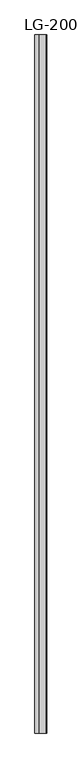
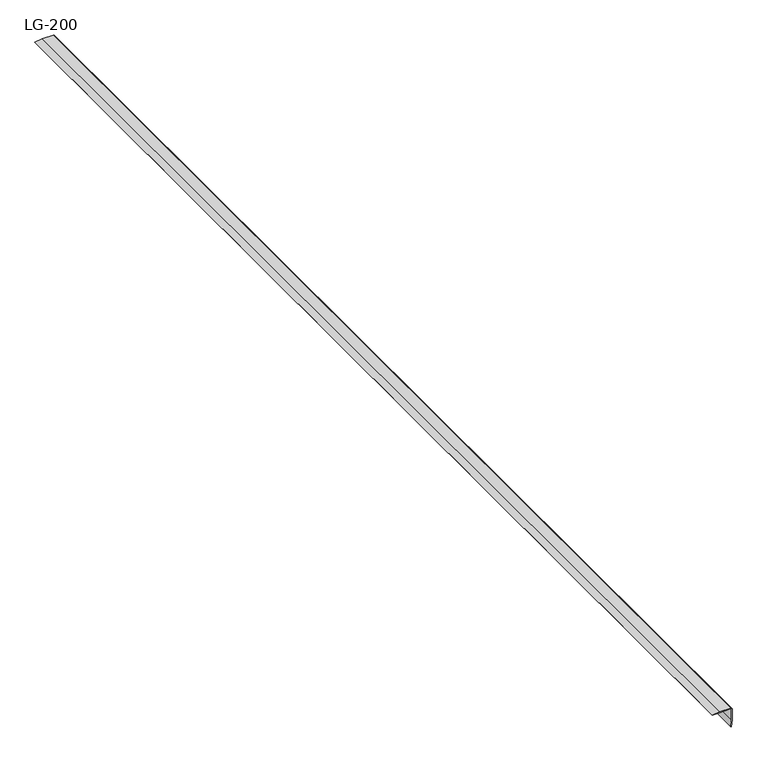
"""IFC4 building model written with IfcOpenShell, lengths in millimetres: proxy geometry, LG-200."""

from ifc_helpers import new_model, si_unit, point, frame, frame_2d, origin, place, context, project, spatial, polyline, circle_curve, trimmed, segment, composite_curve, outline, extrude, source, transform, mapped, element, save


def lg_200_0c27c01a(model_context):
    return source(origin(), model_context, "Body", "SweptSolid", [
        extrude(outline(composite_curve([segment(polyline([(2.8448, -28.8882667), (0.9482667, -47.9552), (0.0, -47.9552), (0.9482667, -28.8882667), (1.2868176, -0.3751013)]), True, "CONTINUOUS"), segment(trimmed(circle_curve(frame_2d((-0.3556, -0.3556)), 1.6425333), [point((1.2868176, -0.3751013))], [point((-0.3750781, 1.2868178))], True, "CARTESIAN"), True, "CONTINUOUS"), segment(polyline([(-0.3750781, 1.2868178), (-28.9221333, 0.9482667), (-47.9552, 0.0), (-47.9552, 0.9482667), (-28.9221333, 2.8448), (-0.3556, 2.8109333)]), True, "CONTINUOUS"), segment(trimmed(circle_curve(frame_2d((-0.3555997, -0.3555997)), 3.1665331), [point((-0.3556, 2.8109333))], [point((2.8109333, -0.3556))], False, "CARTESIAN"), True, "CONTINUOUS"), segment(polyline([(2.8109333, -0.3556), (2.8448, -28.8882667)]), True, "CONTINUOUS")], self_intersect=False)), frame((0.0, -1141.4125, 0.0), z_axis=(0.0, 1.0, 0.0), x_axis=(0.0, 0.0, 1.0)), (0.0, 0.0, 1.0), 3021.0125),
    ])


if __name__ == "__main__":
    model = new_model("IFC4")
    model_context = context("Model", 3, world=origin())
    ifc_project = project(units=[si_unit("LENGTHUNIT", "METRE", prefix="MILLI")], contexts=[model_context])
    site = spatial("IfcSite", under=ifc_project)
    building = spatial("IfcBuilding", under=site)
    placement = place(None, origin())
    lg_200_shape = lg_200_0c27c01a(model_context)
    element("IfcBuildingElementProxy", 1, Name="LG-200", ObjectType="LG-200", at=placement, inside=building, context=model_context, shape_type="MappedRepresentation", body=[
        mapped(lg_200_shape, transform((0.0, 0.0, 0.0), x_axis=(1.0, 0.0, 0.0), y_axis=(0.0, 1.0, 0.0), z_axis=(0.0, 0.0, 1.0))),
    ])
    save(model, "model.ifc")
